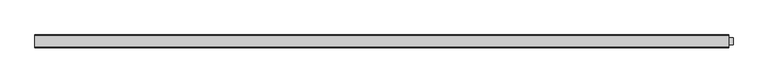
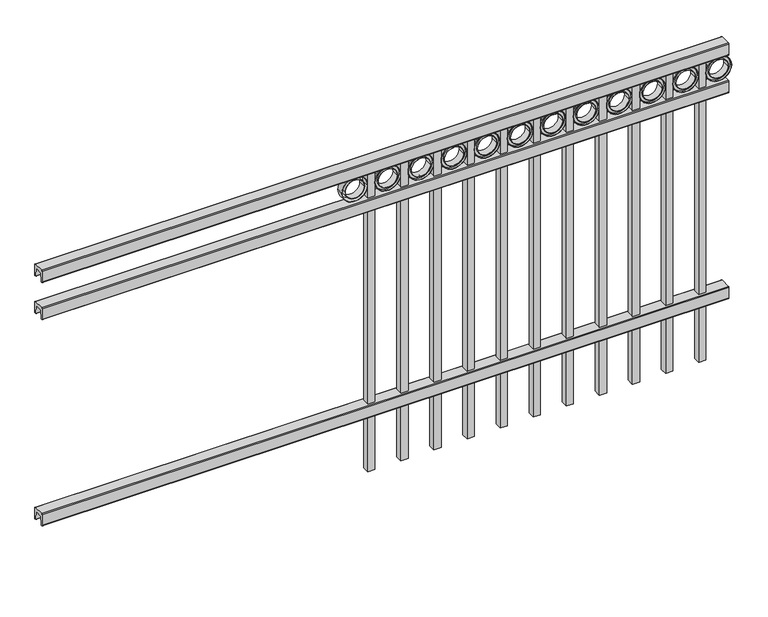
"""IFC4 building model written with IfcOpenShell, lengths in millimetres: railing geometry."""

from ifc_helpers import new_model, si_unit, point, frame, frame_2d, origin, place, context, project, spatial, polyline, circle_curve, trimmed, segment, composite_curve, outline, extrude, source, transform, mapped, element, save


def railing_0e6c4813(model_context):
    return source(origin(), model_context, "Body", "SweptSolid", [
        extrude(outline(composite_curve([segment(polyline([(13397.9139761, 304.8), (13435.969541, 304.8)]), True, "CONTINUOUS"), segment(trimmed(circle_curve(frame_2d((13435.969541, 301.625)), 3.175), [point((13435.969541, 304.8))], [point((13439.144541, 301.625))], False, "CARTESIAN"), True, "CONTINUOUS"), segment(polyline([(13439.144541, 301.625), (13439.144541, 262.1439893)]), True, "CONTINUOUS"), segment(trimmed(circle_curve(frame_2d((13437.3505518, 262.1439893)), 1.7939893), [point((13439.144541, 262.1439893))], [point((13437.3505518, 260.35))], False, "CARTESIAN"), True, "CONTINUOUS"), segment(polyline([(13437.3505518, 260.35), (13434.7590713, 260.35)]), True, "CONTINUOUS"), segment(trimmed(circle_curve(frame_2d((13434.7590713, 262.1359375)), 1.7859375), [point((13434.7590713, 260.35))], [point((13432.9755813, 262.0424688))], False, "CARTESIAN"), True, "CONTINUOUS"), segment(polyline([(13432.9755813, 262.0424688), (13431.4025867, 292.0569942), (13402.4364954, 292.0569942), (13400.8635007, 262.0424688)]), True, "CONTINUOUS"), segment(trimmed(circle_curve(frame_2d((13399.0800108, 262.1359375)), 1.7859375), [point((13400.8635007, 262.0424688))], [point((13399.0800108, 260.35))], False, "CARTESIAN"), True, "CONTINUOUS"), segment(polyline([(13399.0800108, 260.35), (13396.4804785, 260.35)]), True, "CONTINUOUS"), segment(trimmed(circle_curve(frame_2d((13396.4804785, 262.1359375)), 1.7859375), [point((13396.4804785, 260.35))], [point((13394.694541, 262.1359375))], False, "CARTESIAN"), True, "CONTINUOUS"), segment(polyline([(13394.694541, 262.1359375), (13394.694541, 301.5805649)]), True, "CONTINUOUS"), segment(trimmed(circle_curve(frame_2d((13397.9139761, 301.5805649)), 3.2194351), [point((13394.694541, 301.5805649))], [point((13397.9139761, 304.8))], False, "CARTESIAN"), True, "CONTINUOUS")], self_intersect=False)), frame((-6193.0649936, 0.0, 0.0), z_axis=(1.0, 0.0, 0.0), x_axis=(0.0, 1.0, 0.0)), (0.0, 0.0, 1.0), 2438.4),
        extrude(outline(composite_curve([segment(polyline([(13397.9139761, 1078.70625), (13435.969541, 1078.70625)]), True, "CONTINUOUS"), segment(trimmed(circle_curve(frame_2d((13435.969541, 1075.53125)), 3.175), [point((13435.969541, 1078.70625))], [point((13439.144541, 1075.53125))], False, "CARTESIAN"), True, "CONTINUOUS"), segment(polyline([(13439.144541, 1075.53125), (13439.144541, 1036.0502393)]), True, "CONTINUOUS"), segment(trimmed(circle_curve(frame_2d((13437.3505518, 1036.0502393)), 1.7939893), [point((13439.144541, 1036.0502393))], [point((13437.3505518, 1034.25625))], False, "CARTESIAN"), True, "CONTINUOUS"), segment(polyline([(13437.3505518, 1034.25625), (13434.7590713, 1034.25625)]), True, "CONTINUOUS"), segment(trimmed(circle_curve(frame_2d((13434.7590713, 1036.0421875)), 1.7859375), [point((13434.7590713, 1034.25625))], [point((13432.9755813, 1035.9487188))], False, "CARTESIAN"), True, "CONTINUOUS"), segment(polyline([(13432.9755813, 1035.9487188), (13431.4025867, 1065.9632442), (13402.4364954, 1065.9632442), (13400.8635007, 1035.9487188)]), True, "CONTINUOUS"), segment(trimmed(circle_curve(frame_2d((13399.0800108, 1036.0421875)), 1.7859375), [point((13400.8635007, 1035.9487188))], [point((13399.0800108, 1034.25625))], False, "CARTESIAN"), True, "CONTINUOUS"), segment(polyline([(13399.0800108, 1034.25625), (13396.4804785, 1034.25625)]), True, "CONTINUOUS"), segment(trimmed(circle_curve(frame_2d((13396.4804785, 1036.0421875)), 1.7859375), [point((13396.4804785, 1034.25625))], [point((13394.694541, 1036.0421875))], False, "CARTESIAN"), True, "CONTINUOUS"), segment(polyline([(13394.694541, 1036.0421875), (13394.694541, 1075.4868149)]), True, "CONTINUOUS"), segment(trimmed(circle_curve(frame_2d((13397.9139761, 1075.4868149)), 3.2194351), [point((13394.694541, 1075.4868149))], [point((13397.9139761, 1078.70625))], False, "CARTESIAN"), True, "CONTINUOUS")], self_intersect=False)), frame((-6193.0649936, 0.0, 0.0), z_axis=(1.0, 0.0, 0.0), x_axis=(0.0, 1.0, 0.0)), (0.0, 0.0, 1.0), 2438.4),
        extrude(outline(composite_curve([segment(polyline([(13397.9139761, 1219.2), (13435.969541, 1219.2)]), True, "CONTINUOUS"), segment(trimmed(circle_curve(frame_2d((13435.969541, 1216.025)), 3.175), [point((13435.969541, 1219.2))], [point((13439.144541, 1216.025))], False, "CARTESIAN"), True, "CONTINUOUS"), segment(polyline([(13439.144541, 1216.025), (13439.144541, 1176.5439893)]), True, "CONTINUOUS"), segment(trimmed(circle_curve(frame_2d((13437.3505518, 1176.5439893)), 1.7939893), [point((13439.144541, 1176.5439893))], [point((13437.3505518, 1174.75))], False, "CARTESIAN"), True, "CONTINUOUS"), segment(polyline([(13437.3505518, 1174.75), (13434.7590713, 1174.75)]), True, "CONTINUOUS"), segment(trimmed(circle_curve(frame_2d((13434.7590713, 1176.5359375)), 1.7859375), [point((13434.7590713, 1174.75))], [point((13432.9755813, 1176.4424688))], False, "CARTESIAN"), True, "CONTINUOUS"), segment(polyline([(13432.9755813, 1176.4424688), (13431.4025867, 1206.4569942), (13402.4364954, 1206.4569942), (13400.8635007, 1176.4424688)]), True, "CONTINUOUS"), segment(trimmed(circle_curve(frame_2d((13399.0800108, 1176.5359375)), 1.7859375), [point((13400.8635007, 1176.4424688))], [point((13399.0800108, 1174.75))], False, "CARTESIAN"), True, "CONTINUOUS"), segment(polyline([(13399.0800108, 1174.75), (13396.4804785, 1174.75)]), True, "CONTINUOUS"), segment(trimmed(circle_curve(frame_2d((13396.4804785, 1176.5359375)), 1.7859375), [point((13396.4804785, 1174.75))], [point((13394.694541, 1176.5359375))], False, "CARTESIAN"), True, "CONTINUOUS"), segment(polyline([(13394.694541, 1176.5359375), (13394.694541, 1215.9805649)]), True, "CONTINUOUS"), segment(trimmed(circle_curve(frame_2d((13397.9139761, 1215.9805649)), 3.2194351), [point((13394.694541, 1215.9805649))], [point((13397.9139761, 1219.2))], False, "CARTESIAN"), True, "CONTINUOUS")], self_intersect=False)), frame((-6193.0649936, 0.0, 0.0), z_axis=(1.0, 0.0, 0.0), x_axis=(0.0, 1.0, 0.0)), (0.0, 0.0, 1.0), 2438.4),
        extrude(outline(composite_curve([segment(trimmed(circle_curve(frame_2d((1129.0511409, -3785.1661274)), 45.6988591), [point((1129.0511409, -3739.4672684))], [point((1129.0511409, -3830.8649865))], False, "CARTESIAN"), True, "CONTINUOUS"), segment(trimmed(circle_curve(frame_2d((1129.0511409, -3785.1661274)), 45.6988591), [point((1129.0511409, -3830.8649865))], [point((1129.0511409, -3739.4672684))], False, "CARTESIAN"), True, "CONTINUOUS")], self_intersect=False), holes=[composite_curve([segment(trimmed(circle_curve(frame_2d((1129.0511409, -3785.1661274)), 44.101539), [point((1129.0511409, -3741.0645884))], [point((1129.0511409, -3829.2676665))], True, "CARTESIAN"), True, "CONTINUOUS"), segment(trimmed(circle_curve(frame_2d((1129.0511409, -3785.1661274)), 44.101539), [point((1129.0511409, -3829.2676665))], [point((1129.0511409, -3741.0645884))], True, "CARTESIAN"), True, "CONTINUOUS")], self_intersect=False)]), frame((0.0, 13404.219541, 0.0), z_axis=(0.0, 1.0, 0.0), x_axis=(0.0, 0.0, 1.0)), (0.0, 0.0, 1.0), 25.4),
        extrude(outline(composite_curve([segment(trimmed(circle_curve(frame_2d((1129.0511409, -3785.1661274)), 34.6370762), [point((1129.0511409, -3750.5290512))], [point((1129.0511409, -3819.8032037))], False, "CARTESIAN"), True, "CONTINUOUS"), segment(trimmed(circle_curve(frame_2d((1129.0511409, -3785.1661274)), 34.6370762), [point((1129.0511409, -3819.8032037))], [point((1129.0511409, -3750.5290512))], False, "CARTESIAN"), True, "CONTINUOUS")], self_intersect=False), holes=[composite_curve([segment(trimmed(circle_curve(frame_2d((1129.0511409, -3785.1661274)), 33.0443887), [point((1129.0511409, -3752.1217388))], [point((1129.0511409, -3818.2105161))], True, "CARTESIAN"), True, "CONTINUOUS"), segment(trimmed(circle_curve(frame_2d((1129.0511409, -3785.1661274)), 33.0443887), [point((1129.0511409, -3818.2105161))], [point((1129.0511409, -3752.1217388))], True, "CARTESIAN"), True, "CONTINUOUS")], self_intersect=False)]), frame((0.0, 13404.219541, 0.0), z_axis=(0.0, 1.0, 0.0), x_axis=(0.0, 0.0, 1.0)), (0.0, 0.0, 1.0), 25.4),
        extrude(outline(composite_curve([segment(trimmed(circle_curve(frame_2d((1129.0511409, -3785.1661274)), 45.6988591), [point((1129.0511409, -3739.4672684))], [point((1129.0511409, -3830.8649865))], False, "CARTESIAN"), True, "CONTINUOUS"), segment(trimmed(circle_curve(frame_2d((1129.0511409, -3785.1661274)), 45.6988591), [point((1129.0511409, -3830.8649865))], [point((1129.0511409, -3739.4672684))], False, "CARTESIAN"), True, "CONTINUOUS")], self_intersect=False), holes=[composite_curve([segment(trimmed(circle_curve(frame_2d((1129.0511409, -3785.1661274)), 33.0443887), [point((1129.0511409, -3752.1217388))], [point((1129.0511409, -3818.2105161))], True, "CARTESIAN"), True, "CONTINUOUS"), segment(trimmed(circle_curve(frame_2d((1129.0511409, -3785.1661274)), 33.0443887), [point((1129.0511409, -3818.2105161))], [point((1129.0511409, -3752.1217388))], True, "CARTESIAN"), True, "CONTINUOUS")], self_intersect=False)]), frame((0.0, 13410.569541, 0.0), z_axis=(0.0, 1.0, 0.0), x_axis=(0.0, 0.0, 1.0)), (0.0, 0.0, 1.0), 12.7),
        extrude(outline(polyline([(0.0, -1123.95), (0.0, 0.0), (25.4, 0.0), (25.4, -1123.95), (0.0, -1123.95)])), frame((-3830.8649864, 13429.619541, 1174.75), z_axis=(-1.0, 0.0, 3.6920139055213292e-09), x_axis=(0.0, -1.0, 0.0)), (0.0, 0.0, 1.0), 25.4),
        extrude(outline(composite_curve([segment(trimmed(circle_curve(frame_2d((1129.0511409, -3902.6411274)), 45.6988591), [point((1129.0511409, -3856.9422684))], [point((1129.0511409, -3948.3399865))], False, "CARTESIAN"), True, "CONTINUOUS"), segment(trimmed(circle_curve(frame_2d((1129.0511409, -3902.6411274)), 45.6988591), [point((1129.0511409, -3948.3399865))], [point((1129.0511409, -3856.9422684))], False, "CARTESIAN"), True, "CONTINUOUS")], self_intersect=False), holes=[composite_curve([segment(trimmed(circle_curve(frame_2d((1129.0511409, -3902.6411274)), 44.101539), [point((1129.0511409, -3858.5395884))], [point((1129.0511409, -3946.7426665))], True, "CARTESIAN"), True, "CONTINUOUS"), segment(trimmed(circle_curve(frame_2d((1129.0511409, -3902.6411274)), 44.101539), [point((1129.0511409, -3946.7426665))], [point((1129.0511409, -3858.5395884))], True, "CARTESIAN"), True, "CONTINUOUS")], self_intersect=False)]), frame((0.0, 13404.219541, 0.0), z_axis=(0.0, 1.0, 0.0), x_axis=(0.0, 0.0, 1.0)), (0.0, 0.0, 1.0), 25.4),
        extrude(outline(composite_curve([segment(trimmed(circle_curve(frame_2d((1129.0511409, -3902.6411274)), 34.6370762), [point((1129.0511409, -3868.0040512))], [point((1129.0511409, -3937.2782037))], False, "CARTESIAN"), True, "CONTINUOUS"), segment(trimmed(circle_curve(frame_2d((1129.0511409, -3902.6411274)), 34.6370762), [point((1129.0511409, -3937.2782037))], [point((1129.0511409, -3868.0040512))], False, "CARTESIAN"), True, "CONTINUOUS")], self_intersect=False), holes=[composite_curve([segment(trimmed(circle_curve(frame_2d((1129.0511409, -3902.6411274)), 33.0443887), [point((1129.0511409, -3869.5967388))], [point((1129.0511409, -3935.6855161))], True, "CARTESIAN"), True, "CONTINUOUS"), segment(trimmed(circle_curve(frame_2d((1129.0511409, -3902.6411274)), 33.0443887), [point((1129.0511409, -3935.6855161))], [point((1129.0511409, -3869.5967388))], True, "CARTESIAN"), True, "CONTINUOUS")], self_intersect=False)]), frame((0.0, 13404.219541, 0.0), z_axis=(0.0, 1.0, 0.0), x_axis=(0.0, 0.0, 1.0)), (0.0, 0.0, 1.0), 25.4),
        extrude(outline(composite_curve([segment(trimmed(circle_curve(frame_2d((1129.0511409, -3902.6411274)), 45.6988591), [point((1129.0511409, -3856.9422684))], [point((1129.0511409, -3948.3399865))], False, "CARTESIAN"), True, "CONTINUOUS"), segment(trimmed(circle_curve(frame_2d((1129.0511409, -3902.6411274)), 45.6988591), [point((1129.0511409, -3948.3399865))], [point((1129.0511409, -3856.9422684))], False, "CARTESIAN"), True, "CONTINUOUS")], self_intersect=False), holes=[composite_curve([segment(trimmed(circle_curve(frame_2d((1129.0511409, -3902.6411274)), 33.0443887), [point((1129.0511409, -3869.5967388))], [point((1129.0511409, -3935.6855161))], True, "CARTESIAN"), True, "CONTINUOUS"), segment(trimmed(circle_curve(frame_2d((1129.0511409, -3902.6411274)), 33.0443887), [point((1129.0511409, -3935.6855161))], [point((1129.0511409, -3869.5967388))], True, "CARTESIAN"), True, "CONTINUOUS")], self_intersect=False)]), frame((0.0, 13410.569541, 0.0), z_axis=(0.0, 1.0, 0.0), x_axis=(0.0, 0.0, 1.0)), (0.0, 0.0, 1.0), 12.7),
        extrude(outline(polyline([(0.0, -1123.95), (0.0, 0.0), (25.4, 0.0), (25.4, -1123.95), (0.0, -1123.95)])), frame((-3948.3399864, 13429.619541, 1174.75), z_axis=(-1.0, 0.0, 3.6920139055213292e-09), x_axis=(0.0, -1.0, 0.0)), (0.0, 0.0, 1.0), 25.4),
        extrude(outline(composite_curve([segment(trimmed(circle_curve(frame_2d((1129.0511409, -4020.1161274)), 45.6988591), [point((1129.0511409, -3974.4172684))], [point((1129.0511409, -4065.8149865))], False, "CARTESIAN"), True, "CONTINUOUS"), segment(trimmed(circle_curve(frame_2d((1129.0511409, -4020.1161274)), 45.6988591), [point((1129.0511409, -4065.8149865))], [point((1129.0511409, -3974.4172684))], False, "CARTESIAN"), True, "CONTINUOUS")], self_intersect=False), holes=[composite_curve([segment(trimmed(circle_curve(frame_2d((1129.0511409, -4020.1161274)), 44.101539), [point((1129.0511409, -3976.0145884))], [point((1129.0511409, -4064.2176665))], True, "CARTESIAN"), True, "CONTINUOUS"), segment(trimmed(circle_curve(frame_2d((1129.0511409, -4020.1161274)), 44.101539), [point((1129.0511409, -4064.2176665))], [point((1129.0511409, -3976.0145884))], True, "CARTESIAN"), True, "CONTINUOUS")], self_intersect=False)]), frame((0.0, 13404.219541, 0.0), z_axis=(0.0, 1.0, 0.0), x_axis=(0.0, 0.0, 1.0)), (0.0, 0.0, 1.0), 25.4),
        extrude(outline(composite_curve([segment(trimmed(circle_curve(frame_2d((1129.0511409, -4020.1161274)), 34.6370762), [point((1129.0511409, -3985.4790512))], [point((1129.0511409, -4054.7532037))], False, "CARTESIAN"), True, "CONTINUOUS"), segment(trimmed(circle_curve(frame_2d((1129.0511409, -4020.1161274)), 34.6370762), [point((1129.0511409, -4054.7532037))], [point((1129.0511409, -3985.4790512))], False, "CARTESIAN"), True, "CONTINUOUS")], self_intersect=False), holes=[composite_curve([segment(trimmed(circle_curve(frame_2d((1129.0511409, -4020.1161274)), 33.0443887), [point((1129.0511409, -3987.0717388))], [point((1129.0511409, -4053.1605161))], True, "CARTESIAN"), True, "CONTINUOUS"), segment(trimmed(circle_curve(frame_2d((1129.0511409, -4020.1161274)), 33.0443887), [point((1129.0511409, -4053.1605161))], [point((1129.0511409, -3987.0717388))], True, "CARTESIAN"), True, "CONTINUOUS")], self_intersect=False)]), frame((0.0, 13404.219541, 0.0), z_axis=(0.0, 1.0, 0.0), x_axis=(0.0, 0.0, 1.0)), (0.0, 0.0, 1.0), 25.4),
        extrude(outline(composite_curve([segment(trimmed(circle_curve(frame_2d((1129.0511409, -4020.1161274)), 45.6988591), [point((1129.0511409, -3974.4172684))], [point((1129.0511409, -4065.8149865))], False, "CARTESIAN"), True, "CONTINUOUS"), segment(trimmed(circle_curve(frame_2d((1129.0511409, -4020.1161274)), 45.6988591), [point((1129.0511409, -4065.8149865))], [point((1129.0511409, -3974.4172684))], False, "CARTESIAN"), True, "CONTINUOUS")], self_intersect=False), holes=[composite_curve([segment(trimmed(circle_curve(frame_2d((1129.0511409, -4020.1161274)), 33.0443887), [point((1129.0511409, -3987.0717388))], [point((1129.0511409, -4053.1605161))], True, "CARTESIAN"), True, "CONTINUOUS"), segment(trimmed(circle_curve(frame_2d((1129.0511409, -4020.1161274)), 33.0443887), [point((1129.0511409, -4053.1605161))], [point((1129.0511409, -3987.0717388))], True, "CARTESIAN"), True, "CONTINUOUS")], self_intersect=False)]), frame((0.0, 13410.569541, 0.0), z_axis=(0.0, 1.0, 0.0), x_axis=(0.0, 0.0, 1.0)), (0.0, 0.0, 1.0), 12.7),
        extrude(outline(polyline([(0.0, -1123.95), (0.0, 0.0), (25.4, 0.0), (25.4, -1123.95), (0.0, -1123.95)])), frame((-4065.8149864, 13429.619541, 1174.75), z_axis=(-1.0, 0.0, 3.6920139055213292e-09), x_axis=(0.0, -1.0, 0.0)), (0.0, 0.0, 1.0), 25.4),
        extrude(outline(composite_curve([segment(trimmed(circle_curve(frame_2d((1129.0511409, -4137.5911274)), 45.6988591), [point((1129.0511409, -4091.8922684))], [point((1129.0511409, -4183.2899865))], False, "CARTESIAN"), True, "CONTINUOUS"), segment(trimmed(circle_curve(frame_2d((1129.0511409, -4137.5911274)), 45.6988591), [point((1129.0511409, -4183.2899865))], [point((1129.0511409, -4091.8922684))], False, "CARTESIAN"), True, "CONTINUOUS")], self_intersect=False), holes=[composite_curve([segment(trimmed(circle_curve(frame_2d((1129.0511409, -4137.5911274)), 44.101539), [point((1129.0511409, -4093.4895884))], [point((1129.0511409, -4181.6926665))], True, "CARTESIAN"), True, "CONTINUOUS"), segment(trimmed(circle_curve(frame_2d((1129.0511409, -4137.5911274)), 44.101539), [point((1129.0511409, -4181.6926665))], [point((1129.0511409, -4093.4895884))], True, "CARTESIAN"), True, "CONTINUOUS")], self_intersect=False)]), frame((0.0, 13404.219541, 0.0), z_axis=(0.0, 1.0, 0.0), x_axis=(0.0, 0.0, 1.0)), (0.0, 0.0, 1.0), 25.4),
        extrude(outline(composite_curve([segment(trimmed(circle_curve(frame_2d((1129.0511409, -4137.5911274)), 34.6370762), [point((1129.0511409, -4102.9540512))], [point((1129.0511409, -4172.2282037))], False, "CARTESIAN"), True, "CONTINUOUS"), segment(trimmed(circle_curve(frame_2d((1129.0511409, -4137.5911274)), 34.6370762), [point((1129.0511409, -4172.2282037))], [point((1129.0511409, -4102.9540512))], False, "CARTESIAN"), True, "CONTINUOUS")], self_intersect=False), holes=[composite_curve([segment(trimmed(circle_curve(frame_2d((1129.0511409, -4137.5911274)), 33.0443887), [point((1129.0511409, -4104.5467388))], [point((1129.0511409, -4170.6355161))], True, "CARTESIAN"), True, "CONTINUOUS"), segment(trimmed(circle_curve(frame_2d((1129.0511409, -4137.5911274)), 33.0443887), [point((1129.0511409, -4170.6355161))], [point((1129.0511409, -4104.5467388))], True, "CARTESIAN"), True, "CONTINUOUS")], self_intersect=False)]), frame((0.0, 13404.219541, 0.0), z_axis=(0.0, 1.0, 0.0), x_axis=(0.0, 0.0, 1.0)), (0.0, 0.0, 1.0), 25.4),
        extrude(outline(composite_curve([segment(trimmed(circle_curve(frame_2d((1129.0511409, -4137.5911274)), 45.6988591), [point((1129.0511409, -4091.8922684))], [point((1129.0511409, -4183.2899865))], False, "CARTESIAN"), True, "CONTINUOUS"), segment(trimmed(circle_curve(frame_2d((1129.0511409, -4137.5911274)), 45.6988591), [point((1129.0511409, -4183.2899865))], [point((1129.0511409, -4091.8922684))], False, "CARTESIAN"), True, "CONTINUOUS")], self_intersect=False), holes=[composite_curve([segment(trimmed(circle_curve(frame_2d((1129.0511409, -4137.5911274)), 33.0443887), [point((1129.0511409, -4104.5467388))], [point((1129.0511409, -4170.6355161))], True, "CARTESIAN"), True, "CONTINUOUS"), segment(trimmed(circle_curve(frame_2d((1129.0511409, -4137.5911274)), 33.0443887), [point((1129.0511409, -4170.6355161))], [point((1129.0511409, -4104.5467388))], True, "CARTESIAN"), True, "CONTINUOUS")], self_intersect=False)]), frame((0.0, 13410.569541, 0.0), z_axis=(0.0, 1.0, 0.0), x_axis=(0.0, 0.0, 1.0)), (0.0, 0.0, 1.0), 12.7),
        extrude(outline(polyline([(0.0, -1123.95), (0.0, 0.0), (25.4, 0.0), (25.4, -1123.95), (0.0, -1123.95)])), frame((-4183.2899864, 13429.619541, 1174.75), z_axis=(-1.0, 0.0, 3.6920139055213292e-09), x_axis=(0.0, -1.0, 0.0)), (0.0, 0.0, 1.0), 25.4),
        extrude(outline(composite_curve([segment(trimmed(circle_curve(frame_2d((1129.0511409, -4255.0661274)), 45.6988591), [point((1129.0511409, -4209.3672684))], [point((1129.0511409, -4300.7649865))], False, "CARTESIAN"), True, "CONTINUOUS"), segment(trimmed(circle_curve(frame_2d((1129.0511409, -4255.0661274)), 45.6988591), [point((1129.0511409, -4300.7649865))], [point((1129.0511409, -4209.3672684))], False, "CARTESIAN"), True, "CONTINUOUS")], self_intersect=False), holes=[composite_curve([segment(trimmed(circle_curve(frame_2d((1129.0511409, -4255.0661274)), 44.101539), [point((1129.0511409, -4210.9645884))], [point((1129.0511409, -4299.1676665))], True, "CARTESIAN"), True, "CONTINUOUS"), segment(trimmed(circle_curve(frame_2d((1129.0511409, -4255.0661274)), 44.101539), [point((1129.0511409, -4299.1676665))], [point((1129.0511409, -4210.9645884))], True, "CARTESIAN"), True, "CONTINUOUS")], self_intersect=False)]), frame((0.0, 13404.219541, 0.0), z_axis=(0.0, 1.0, 0.0), x_axis=(0.0, 0.0, 1.0)), (0.0, 0.0, 1.0), 25.4),
        extrude(outline(composite_curve([segment(trimmed(circle_curve(frame_2d((1129.0511409, -4255.0661274)), 34.6370762), [point((1129.0511409, -4220.4290512))], [point((1129.0511409, -4289.7032037))], False, "CARTESIAN"), True, "CONTINUOUS"), segment(trimmed(circle_curve(frame_2d((1129.0511409, -4255.0661274)), 34.6370762), [point((1129.0511409, -4289.7032037))], [point((1129.0511409, -4220.4290512))], False, "CARTESIAN"), True, "CONTINUOUS")], self_intersect=False), holes=[composite_curve([segment(trimmed(circle_curve(frame_2d((1129.0511409, -4255.0661274)), 33.0443887), [point((1129.0511409, -4222.0217388))], [point((1129.0511409, -4288.1105161))], True, "CARTESIAN"), True, "CONTINUOUS"), segment(trimmed(circle_curve(frame_2d((1129.0511409, -4255.0661274)), 33.0443887), [point((1129.0511409, -4288.1105161))], [point((1129.0511409, -4222.0217388))], True, "CARTESIAN"), True, "CONTINUOUS")], self_intersect=False)]), frame((0.0, 13404.219541, 0.0), z_axis=(0.0, 1.0, 0.0), x_axis=(0.0, 0.0, 1.0)), (0.0, 0.0, 1.0), 25.4),
        extrude(outline(composite_curve([segment(trimmed(circle_curve(frame_2d((1129.0511409, -4255.0661274)), 45.6988591), [point((1129.0511409, -4209.3672684))], [point((1129.0511409, -4300.7649865))], False, "CARTESIAN"), True, "CONTINUOUS"), segment(trimmed(circle_curve(frame_2d((1129.0511409, -4255.0661274)), 45.6988591), [point((1129.0511409, -4300.7649865))], [point((1129.0511409, -4209.3672684))], False, "CARTESIAN"), True, "CONTINUOUS")], self_intersect=False), holes=[composite_curve([segment(trimmed(circle_curve(frame_2d((1129.0511409, -4255.0661274)), 33.0443887), [point((1129.0511409, -4222.0217388))], [point((1129.0511409, -4288.1105161))], True, "CARTESIAN"), True, "CONTINUOUS"), segment(trimmed(circle_curve(frame_2d((1129.0511409, -4255.0661274)), 33.0443887), [point((1129.0511409, -4288.1105161))], [point((1129.0511409, -4222.0217388))], True, "CARTESIAN"), True, "CONTINUOUS")], self_intersect=False)]), frame((0.0, 13410.569541, 0.0), z_axis=(0.0, 1.0, 0.0), x_axis=(0.0, 0.0, 1.0)), (0.0, 0.0, 1.0), 12.7),
        extrude(outline(polyline([(0.0, -1123.95), (0.0, 0.0), (25.4, 0.0), (25.4, -1123.95), (0.0, -1123.95)])), frame((-4300.7649864, 13429.619541, 1174.75), z_axis=(-1.0, 0.0, 3.6920139055213292e-09), x_axis=(0.0, -1.0, 0.0)), (0.0, 0.0, 1.0), 25.4),
        extrude(outline(composite_curve([segment(trimmed(circle_curve(frame_2d((1129.0511409, -4372.5411274)), 45.6988591), [point((1129.0511409, -4326.8422684))], [point((1129.0511409, -4418.2399865))], False, "CARTESIAN"), True, "CONTINUOUS"), segment(trimmed(circle_curve(frame_2d((1129.0511409, -4372.5411274)), 45.6988591), [point((1129.0511409, -4418.2399865))], [point((1129.0511409, -4326.8422684))], False, "CARTESIAN"), True, "CONTINUOUS")], self_intersect=False), holes=[composite_curve([segment(trimmed(circle_curve(frame_2d((1129.0511409, -4372.5411274)), 44.101539), [point((1129.0511409, -4328.4395884))], [point((1129.0511409, -4416.6426665))], True, "CARTESIAN"), True, "CONTINUOUS"), segment(trimmed(circle_curve(frame_2d((1129.0511409, -4372.5411274)), 44.101539), [point((1129.0511409, -4416.6426665))], [point((1129.0511409, -4328.4395884))], True, "CARTESIAN"), True, "CONTINUOUS")], self_intersect=False)]), frame((0.0, 13404.219541, 0.0), z_axis=(0.0, 1.0, 0.0), x_axis=(0.0, 0.0, 1.0)), (0.0, 0.0, 1.0), 25.4),
        extrude(outline(composite_curve([segment(trimmed(circle_curve(frame_2d((1129.0511409, -4372.5411274)), 34.6370762), [point((1129.0511409, -4337.9040512))], [point((1129.0511409, -4407.1782037))], False, "CARTESIAN"), True, "CONTINUOUS"), segment(trimmed(circle_curve(frame_2d((1129.0511409, -4372.5411274)), 34.6370762), [point((1129.0511409, -4407.1782037))], [point((1129.0511409, -4337.9040512))], False, "CARTESIAN"), True, "CONTINUOUS")], self_intersect=False), holes=[composite_curve([segment(trimmed(circle_curve(frame_2d((1129.0511409, -4372.5411274)), 33.0443887), [point((1129.0511409, -4339.4967388))], [point((1129.0511409, -4405.5855161))], True, "CARTESIAN"), True, "CONTINUOUS"), segment(trimmed(circle_curve(frame_2d((1129.0511409, -4372.5411274)), 33.0443887), [point((1129.0511409, -4405.5855161))], [point((1129.0511409, -4339.4967388))], True, "CARTESIAN"), True, "CONTINUOUS")], self_intersect=False)]), frame((0.0, 13404.219541, 0.0), z_axis=(0.0, 1.0, 0.0), x_axis=(0.0, 0.0, 1.0)), (0.0, 0.0, 1.0), 25.4),
        extrude(outline(composite_curve([segment(trimmed(circle_curve(frame_2d((1129.0511409, -4372.5411274)), 45.6988591), [point((1129.0511409, -4326.8422684))], [point((1129.0511409, -4418.2399865))], False, "CARTESIAN"), True, "CONTINUOUS"), segment(trimmed(circle_curve(frame_2d((1129.0511409, -4372.5411274)), 45.6988591), [point((1129.0511409, -4418.2399865))], [point((1129.0511409, -4326.8422684))], False, "CARTESIAN"), True, "CONTINUOUS")], self_intersect=False), holes=[composite_curve([segment(trimmed(circle_curve(frame_2d((1129.0511409, -4372.5411274)), 33.0443887), [point((1129.0511409, -4339.4967388))], [point((1129.0511409, -4405.5855161))], True, "CARTESIAN"), True, "CONTINUOUS"), segment(trimmed(circle_curve(frame_2d((1129.0511409, -4372.5411274)), 33.0443887), [point((1129.0511409, -4405.5855161))], [point((1129.0511409, -4339.4967388))], True, "CARTESIAN"), True, "CONTINUOUS")], self_intersect=False)]), frame((0.0, 13410.569541, 0.0), z_axis=(0.0, 1.0, 0.0), x_axis=(0.0, 0.0, 1.0)), (0.0, 0.0, 1.0), 12.7),
        extrude(outline(polyline([(0.0, -1123.95), (0.0, 0.0), (25.4, 0.0), (25.4, -1123.95), (0.0, -1123.95)])), frame((-4418.2399864, 13429.619541, 1174.75), z_axis=(-1.0, 0.0, 3.6920139055213292e-09), x_axis=(0.0, -1.0, 0.0)), (0.0, 0.0, 1.0), 25.4),
        extrude(outline(composite_curve([segment(trimmed(circle_curve(frame_2d((1129.0511409, -4490.0161274)), 45.6988591), [point((1129.0511409, -4444.3172684))], [point((1129.0511409, -4535.7149865))], False, "CARTESIAN"), True, "CONTINUOUS"), segment(trimmed(circle_curve(frame_2d((1129.0511409, -4490.0161274)), 45.6988591), [point((1129.0511409, -4535.7149865))], [point((1129.0511409, -4444.3172684))], False, "CARTESIAN"), True, "CONTINUOUS")], self_intersect=False), holes=[composite_curve([segment(trimmed(circle_curve(frame_2d((1129.0511409, -4490.0161274)), 44.101539), [point((1129.0511409, -4445.9145884))], [point((1129.0511409, -4534.1176665))], True, "CARTESIAN"), True, "CONTINUOUS"), segment(trimmed(circle_curve(frame_2d((1129.0511409, -4490.0161274)), 44.101539), [point((1129.0511409, -4534.1176665))], [point((1129.0511409, -4445.9145884))], True, "CARTESIAN"), True, "CONTINUOUS")], self_intersect=False)]), frame((0.0, 13404.219541, 0.0), z_axis=(0.0, 1.0, 0.0), x_axis=(0.0, 0.0, 1.0)), (0.0, 0.0, 1.0), 25.4),
        extrude(outline(composite_curve([segment(trimmed(circle_curve(frame_2d((1129.0511409, -4490.0161274)), 34.6370762), [point((1129.0511409, -4455.3790512))], [point((1129.0511409, -4524.6532037))], False, "CARTESIAN"), True, "CONTINUOUS"), segment(trimmed(circle_curve(frame_2d((1129.0511409, -4490.0161274)), 34.6370762), [point((1129.0511409, -4524.6532037))], [point((1129.0511409, -4455.3790512))], False, "CARTESIAN"), True, "CONTINUOUS")], self_intersect=False), holes=[composite_curve([segment(trimmed(circle_curve(frame_2d((1129.0511409, -4490.0161274)), 33.0443887), [point((1129.0511409, -4456.9717388))], [point((1129.0511409, -4523.0605161))], True, "CARTESIAN"), True, "CONTINUOUS"), segment(trimmed(circle_curve(frame_2d((1129.0511409, -4490.0161274)), 33.0443887), [point((1129.0511409, -4523.0605161))], [point((1129.0511409, -4456.9717388))], True, "CARTESIAN"), True, "CONTINUOUS")], self_intersect=False)]), frame((0.0, 13404.219541, 0.0), z_axis=(0.0, 1.0, 0.0), x_axis=(0.0, 0.0, 1.0)), (0.0, 0.0, 1.0), 25.4),
        extrude(outline(composite_curve([segment(trimmed(circle_curve(frame_2d((1129.0511409, -4490.0161274)), 45.6988591), [point((1129.0511409, -4444.3172684))], [point((1129.0511409, -4535.7149865))], False, "CARTESIAN"), True, "CONTINUOUS"), segment(trimmed(circle_curve(frame_2d((1129.0511409, -4490.0161274)), 45.6988591), [point((1129.0511409, -4535.7149865))], [point((1129.0511409, -4444.3172684))], False, "CARTESIAN"), True, "CONTINUOUS")], self_intersect=False), holes=[composite_curve([segment(trimmed(circle_curve(frame_2d((1129.0511409, -4490.0161274)), 33.0443887), [point((1129.0511409, -4456.9717388))], [point((1129.0511409, -4523.0605161))], True, "CARTESIAN"), True, "CONTINUOUS"), segment(trimmed(circle_curve(frame_2d((1129.0511409, -4490.0161274)), 33.0443887), [point((1129.0511409, -4523.0605161))], [point((1129.0511409, -4456.9717388))], True, "CARTESIAN"), True, "CONTINUOUS")], self_intersect=False)]), frame((0.0, 13410.569541, 0.0), z_axis=(0.0, 1.0, 0.0), x_axis=(0.0, 0.0, 1.0)), (0.0, 0.0, 1.0), 12.7),
        extrude(outline(polyline([(0.0, -1123.95), (0.0, 0.0), (25.4, 0.0), (25.4, -1123.95), (0.0, -1123.95)])), frame((-4535.7149864, 13429.619541, 1174.75), z_axis=(-1.0, 0.0, 3.6920139055213292e-09), x_axis=(0.0, -1.0, 0.0)), (0.0, 0.0, 1.0), 25.4),
        extrude(outline(composite_curve([segment(trimmed(circle_curve(frame_2d((1129.0511409, -4607.4911274)), 45.6988591), [point((1129.0511409, -4561.7922684))], [point((1129.0511409, -4653.1899865))], False, "CARTESIAN"), True, "CONTINUOUS"), segment(trimmed(circle_curve(frame_2d((1129.0511409, -4607.4911274)), 45.6988591), [point((1129.0511409, -4653.1899865))], [point((1129.0511409, -4561.7922684))], False, "CARTESIAN"), True, "CONTINUOUS")], self_intersect=False), holes=[composite_curve([segment(trimmed(circle_curve(frame_2d((1129.0511409, -4607.4911274)), 44.101539), [point((1129.0511409, -4563.3895884))], [point((1129.0511409, -4651.5926665))], True, "CARTESIAN"), True, "CONTINUOUS"), segment(trimmed(circle_curve(frame_2d((1129.0511409, -4607.4911274)), 44.101539), [point((1129.0511409, -4651.5926665))], [point((1129.0511409, -4563.3895884))], True, "CARTESIAN"), True, "CONTINUOUS")], self_intersect=False)]), frame((0.0, 13404.219541, 0.0), z_axis=(0.0, 1.0, 0.0), x_axis=(0.0, 0.0, 1.0)), (0.0, 0.0, 1.0), 25.4),
        extrude(outline(composite_curve([segment(trimmed(circle_curve(frame_2d((1129.0511409, -4607.4911274)), 34.6370762), [point((1129.0511409, -4572.8540512))], [point((1129.0511409, -4642.1282037))], False, "CARTESIAN"), True, "CONTINUOUS"), segment(trimmed(circle_curve(frame_2d((1129.0511409, -4607.4911274)), 34.6370762), [point((1129.0511409, -4642.1282037))], [point((1129.0511409, -4572.8540512))], False, "CARTESIAN"), True, "CONTINUOUS")], self_intersect=False), holes=[composite_curve([segment(trimmed(circle_curve(frame_2d((1129.0511409, -4607.4911274)), 33.0443887), [point((1129.0511409, -4574.4467388))], [point((1129.0511409, -4640.5355161))], True, "CARTESIAN"), True, "CONTINUOUS"), segment(trimmed(circle_curve(frame_2d((1129.0511409, -4607.4911274)), 33.0443887), [point((1129.0511409, -4640.5355161))], [point((1129.0511409, -4574.4467388))], True, "CARTESIAN"), True, "CONTINUOUS")], self_intersect=False)]), frame((0.0, 13404.219541, 0.0), z_axis=(0.0, 1.0, 0.0), x_axis=(0.0, 0.0, 1.0)), (0.0, 0.0, 1.0), 25.4),
        extrude(outline(composite_curve([segment(trimmed(circle_curve(frame_2d((1129.0511409, -4607.4911274)), 45.6988591), [point((1129.0511409, -4561.7922684))], [point((1129.0511409, -4653.1899865))], False, "CARTESIAN"), True, "CONTINUOUS"), segment(trimmed(circle_curve(frame_2d((1129.0511409, -4607.4911274)), 45.6988591), [point((1129.0511409, -4653.1899865))], [point((1129.0511409, -4561.7922684))], False, "CARTESIAN"), True, "CONTINUOUS")], self_intersect=False), holes=[composite_curve([segment(trimmed(circle_curve(frame_2d((1129.0511409, -4607.4911274)), 33.0443887), [point((1129.0511409, -4574.4467388))], [point((1129.0511409, -4640.5355161))], True, "CARTESIAN"), True, "CONTINUOUS"), segment(trimmed(circle_curve(frame_2d((1129.0511409, -4607.4911274)), 33.0443887), [point((1129.0511409, -4640.5355161))], [point((1129.0511409, -4574.4467388))], True, "CARTESIAN"), True, "CONTINUOUS")], self_intersect=False)]), frame((0.0, 13410.569541, 0.0), z_axis=(0.0, 1.0, 0.0), x_axis=(0.0, 0.0, 1.0)), (0.0, 0.0, 1.0), 12.7),
        extrude(outline(polyline([(0.0, -1123.95), (0.0, 0.0), (25.4, 0.0), (25.4, -1123.95), (0.0, -1123.95)])), frame((-4653.1899864, 13429.619541, 1174.75), z_axis=(-1.0, 0.0, 3.6920139055213292e-09), x_axis=(0.0, -1.0, 0.0)), (0.0, 0.0, 1.0), 25.4),
        extrude(outline(composite_curve([segment(trimmed(circle_curve(frame_2d((1129.0511409, -4724.9661274)), 45.6988591), [point((1129.0511409, -4679.2672684))], [point((1129.0511409, -4770.6649865))], False, "CARTESIAN"), True, "CONTINUOUS"), segment(trimmed(circle_curve(frame_2d((1129.0511409, -4724.9661274)), 45.6988591), [point((1129.0511409, -4770.6649865))], [point((1129.0511409, -4679.2672684))], False, "CARTESIAN"), True, "CONTINUOUS")], self_intersect=False), holes=[composite_curve([segment(trimmed(circle_curve(frame_2d((1129.0511409, -4724.9661274)), 44.101539), [point((1129.0511409, -4680.8645884))], [point((1129.0511409, -4769.0676665))], True, "CARTESIAN"), True, "CONTINUOUS"), segment(trimmed(circle_curve(frame_2d((1129.0511409, -4724.9661274)), 44.101539), [point((1129.0511409, -4769.0676665))], [point((1129.0511409, -4680.8645884))], True, "CARTESIAN"), True, "CONTINUOUS")], self_intersect=False)]), frame((0.0, 13404.219541, 0.0), z_axis=(0.0, 1.0, 0.0), x_axis=(0.0, 0.0, 1.0)), (0.0, 0.0, 1.0), 25.4),
        extrude(outline(composite_curve([segment(trimmed(circle_curve(frame_2d((1129.0511409, -4724.9661274)), 34.6370762), [point((1129.0511409, -4690.3290512))], [point((1129.0511409, -4759.6032037))], False, "CARTESIAN"), True, "CONTINUOUS"), segment(trimmed(circle_curve(frame_2d((1129.0511409, -4724.9661274)), 34.6370762), [point((1129.0511409, -4759.6032037))], [point((1129.0511409, -4690.3290512))], False, "CARTESIAN"), True, "CONTINUOUS")], self_intersect=False), holes=[composite_curve([segment(trimmed(circle_curve(frame_2d((1129.0511409, -4724.9661274)), 33.0443887), [point((1129.0511409, -4691.9217388))], [point((1129.0511409, -4758.0105161))], True, "CARTESIAN"), True, "CONTINUOUS"), segment(trimmed(circle_curve(frame_2d((1129.0511409, -4724.9661274)), 33.0443887), [point((1129.0511409, -4758.0105161))], [point((1129.0511409, -4691.9217388))], True, "CARTESIAN"), True, "CONTINUOUS")], self_intersect=False)]), frame((0.0, 13404.219541, 0.0), z_axis=(0.0, 1.0, 0.0), x_axis=(0.0, 0.0, 1.0)), (0.0, 0.0, 1.0), 25.4),
        extrude(outline(composite_curve([segment(trimmed(circle_curve(frame_2d((1129.0511409, -4724.9661274)), 45.6988591), [point((1129.0511409, -4679.2672684))], [point((1129.0511409, -4770.6649865))], False, "CARTESIAN"), True, "CONTINUOUS"), segment(trimmed(circle_curve(frame_2d((1129.0511409, -4724.9661274)), 45.6988591), [point((1129.0511409, -4770.6649865))], [point((1129.0511409, -4679.2672684))], False, "CARTESIAN"), True, "CONTINUOUS")], self_intersect=False), holes=[composite_curve([segment(trimmed(circle_curve(frame_2d((1129.0511409, -4724.9661274)), 33.0443887), [point((1129.0511409, -4691.9217388))], [point((1129.0511409, -4758.0105161))], True, "CARTESIAN"), True, "CONTINUOUS"), segment(trimmed(circle_curve(frame_2d((1129.0511409, -4724.9661274)), 33.0443887), [point((1129.0511409, -4758.0105161))], [point((1129.0511409, -4691.9217388))], True, "CARTESIAN"), True, "CONTINUOUS")], self_intersect=False)]), frame((0.0, 13410.569541, 0.0), z_axis=(0.0, 1.0, 0.0), x_axis=(0.0, 0.0, 1.0)), (0.0, 0.0, 1.0), 12.7),
        extrude(outline(polyline([(0.0, -1123.95), (0.0, 0.0), (25.4, 0.0), (25.4, -1123.95), (0.0, -1123.95)])), frame((-4770.6649864, 13429.619541, 1174.75), z_axis=(-1.0, 0.0, 3.6920139055213292e-09), x_axis=(0.0, -1.0, 0.0)), (0.0, 0.0, 1.0), 25.4),
        extrude(outline(composite_curve([segment(trimmed(circle_curve(frame_2d((1129.0511409, -4842.4411274)), 45.6988591), [point((1129.0511409, -4796.7422684))], [point((1129.0511409, -4888.1399865))], False, "CARTESIAN"), True, "CONTINUOUS"), segment(trimmed(circle_curve(frame_2d((1129.0511409, -4842.4411274)), 45.6988591), [point((1129.0511409, -4888.1399865))], [point((1129.0511409, -4796.7422684))], False, "CARTESIAN"), True, "CONTINUOUS")], self_intersect=False), holes=[composite_curve([segment(trimmed(circle_curve(frame_2d((1129.0511409, -4842.4411274)), 44.101539), [point((1129.0511409, -4798.3395884))], [point((1129.0511409, -4886.5426665))], True, "CARTESIAN"), True, "CONTINUOUS"), segment(trimmed(circle_curve(frame_2d((1129.0511409, -4842.4411274)), 44.101539), [point((1129.0511409, -4886.5426665))], [point((1129.0511409, -4798.3395884))], True, "CARTESIAN"), True, "CONTINUOUS")], self_intersect=False)]), frame((0.0, 13404.219541, 0.0), z_axis=(0.0, 1.0, 0.0), x_axis=(0.0, 0.0, 1.0)), (0.0, 0.0, 1.0), 25.4),
        extrude(outline(composite_curve([segment(trimmed(circle_curve(frame_2d((1129.0511409, -4842.4411274)), 34.6370762), [point((1129.0511409, -4807.8040512))], [point((1129.0511409, -4877.0782037))], False, "CARTESIAN"), True, "CONTINUOUS"), segment(trimmed(circle_curve(frame_2d((1129.0511409, -4842.4411274)), 34.6370762), [point((1129.0511409, -4877.0782037))], [point((1129.0511409, -4807.8040512))], False, "CARTESIAN"), True, "CONTINUOUS")], self_intersect=False), holes=[composite_curve([segment(trimmed(circle_curve(frame_2d((1129.0511409, -4842.4411274)), 33.0443887), [point((1129.0511409, -4809.3967388))], [point((1129.0511409, -4875.4855161))], True, "CARTESIAN"), True, "CONTINUOUS"), segment(trimmed(circle_curve(frame_2d((1129.0511409, -4842.4411274)), 33.0443887), [point((1129.0511409, -4875.4855161))], [point((1129.0511409, -4809.3967388))], True, "CARTESIAN"), True, "CONTINUOUS")], self_intersect=False)]), frame((0.0, 13404.219541, 0.0), z_axis=(0.0, 1.0, 0.0), x_axis=(0.0, 0.0, 1.0)), (0.0, 0.0, 1.0), 25.4),
        extrude(outline(composite_curve([segment(trimmed(circle_curve(frame_2d((1129.0511409, -4842.4411274)), 45.6988591), [point((1129.0511409, -4796.7422684))], [point((1129.0511409, -4888.1399865))], False, "CARTESIAN"), True, "CONTINUOUS"), segment(trimmed(circle_curve(frame_2d((1129.0511409, -4842.4411274)), 45.6988591), [point((1129.0511409, -4888.1399865))], [point((1129.0511409, -4796.7422684))], False, "CARTESIAN"), True, "CONTINUOUS")], self_intersect=False), holes=[composite_curve([segment(trimmed(circle_curve(frame_2d((1129.0511409, -4842.4411274)), 33.0443887), [point((1129.0511409, -4809.3967388))], [point((1129.0511409, -4875.4855161))], True, "CARTESIAN"), True, "CONTINUOUS"), segment(trimmed(circle_curve(frame_2d((1129.0511409, -4842.4411274)), 33.0443887), [point((1129.0511409, -4875.4855161))], [point((1129.0511409, -4809.3967388))], True, "CARTESIAN"), True, "CONTINUOUS")], self_intersect=False)]), frame((0.0, 13410.569541, 0.0), z_axis=(0.0, 1.0, 0.0), x_axis=(0.0, 0.0, 1.0)), (0.0, 0.0, 1.0), 12.7),
        extrude(outline(polyline([(0.0, -1123.95), (0.0, 0.0), (25.4, 0.0), (25.4, -1123.95), (0.0, -1123.95)])), frame((-4888.1399864, 13429.619541, 1174.75), z_axis=(-1.0, 0.0, 3.6920139055213292e-09), x_axis=(0.0, -1.0, 0.0)), (0.0, 0.0, 1.0), 25.4),
        extrude(outline(composite_curve([segment(trimmed(circle_curve(frame_2d((1129.0511409, -4959.9161274)), 45.6988591), [point((1129.0511409, -4914.2172684))], [point((1129.0511409, -5005.6149865))], False, "CARTESIAN"), True, "CONTINUOUS"), segment(trimmed(circle_curve(frame_2d((1129.0511409, -4959.9161274)), 45.6988591), [point((1129.0511409, -5005.6149865))], [point((1129.0511409, -4914.2172684))], False, "CARTESIAN"), True, "CONTINUOUS")], self_intersect=False), holes=[composite_curve([segment(trimmed(circle_curve(frame_2d((1129.0511409, -4959.9161274)), 44.101539), [point((1129.0511409, -4915.8145884))], [point((1129.0511409, -5004.0176665))], True, "CARTESIAN"), True, "CONTINUOUS"), segment(trimmed(circle_curve(frame_2d((1129.0511409, -4959.9161274)), 44.101539), [point((1129.0511409, -5004.0176665))], [point((1129.0511409, -4915.8145884))], True, "CARTESIAN"), True, "CONTINUOUS")], self_intersect=False)]), frame((0.0, 13404.219541, 0.0), z_axis=(0.0, 1.0, 0.0), x_axis=(0.0, 0.0, 1.0)), (0.0, 0.0, 1.0), 25.4),
        extrude(outline(composite_curve([segment(trimmed(circle_curve(frame_2d((1129.0511409, -4959.9161274)), 34.6370762), [point((1129.0511409, -4925.2790512))], [point((1129.0511409, -4994.5532037))], False, "CARTESIAN"), True, "CONTINUOUS"), segment(trimmed(circle_curve(frame_2d((1129.0511409, -4959.9161274)), 34.6370762), [point((1129.0511409, -4994.5532037))], [point((1129.0511409, -4925.2790512))], False, "CARTESIAN"), True, "CONTINUOUS")], self_intersect=False), holes=[composite_curve([segment(trimmed(circle_curve(frame_2d((1129.0511409, -4959.9161274)), 33.0443887), [point((1129.0511409, -4926.8717388))], [point((1129.0511409, -4992.9605161))], True, "CARTESIAN"), True, "CONTINUOUS"), segment(trimmed(circle_curve(frame_2d((1129.0511409, -4959.9161274)), 33.0443887), [point((1129.0511409, -4992.9605161))], [point((1129.0511409, -4926.8717388))], True, "CARTESIAN"), True, "CONTINUOUS")], self_intersect=False)]), frame((0.0, 13404.219541, 0.0), z_axis=(0.0, 1.0, 0.0), x_axis=(0.0, 0.0, 1.0)), (0.0, 0.0, 1.0), 25.4),
        extrude(outline(composite_curve([segment(trimmed(circle_curve(frame_2d((1129.0511409, -4959.9161274)), 45.6988591), [point((1129.0511409, -4914.2172684))], [point((1129.0511409, -5005.6149865))], False, "CARTESIAN"), True, "CONTINUOUS"), segment(trimmed(circle_curve(frame_2d((1129.0511409, -4959.9161274)), 45.6988591), [point((1129.0511409, -5005.6149865))], [point((1129.0511409, -4914.2172684))], False, "CARTESIAN"), True, "CONTINUOUS")], self_intersect=False), holes=[composite_curve([segment(trimmed(circle_curve(frame_2d((1129.0511409, -4959.9161274)), 33.0443887), [point((1129.0511409, -4926.8717388))], [point((1129.0511409, -4992.9605161))], True, "CARTESIAN"), True, "CONTINUOUS"), segment(trimmed(circle_curve(frame_2d((1129.0511409, -4959.9161274)), 33.0443887), [point((1129.0511409, -4992.9605161))], [point((1129.0511409, -4926.8717388))], True, "CARTESIAN"), True, "CONTINUOUS")], self_intersect=False)]), frame((0.0, 13410.569541, 0.0), z_axis=(0.0, 1.0, 0.0), x_axis=(0.0, 0.0, 1.0)), (0.0, 0.0, 1.0), 12.7),
        extrude(outline(polyline([(0.0, -1123.95), (0.0, 0.0), (25.4, 0.0), (25.4, -1123.95), (0.0, -1123.95)])), frame((-5005.6149864, 13429.619541, 1174.75), z_axis=(-1.0, 0.0, 3.6920139055213292e-09), x_axis=(0.0, -1.0, 0.0)), (0.0, 0.0, 1.0), 25.4),
        extrude(outline(composite_curve([segment(trimmed(circle_curve(frame_2d((1129.0511409, -5077.3911274)), 45.6988591), [point((1129.0511409, -5031.6922684))], [point((1129.0511409, -5123.0899865))], False, "CARTESIAN"), True, "CONTINUOUS"), segment(trimmed(circle_curve(frame_2d((1129.0511409, -5077.3911274)), 45.6988591), [point((1129.0511409, -5123.0899865))], [point((1129.0511409, -5031.6922684))], False, "CARTESIAN"), True, "CONTINUOUS")], self_intersect=False), holes=[composite_curve([segment(trimmed(circle_curve(frame_2d((1129.0511409, -5077.3911274)), 44.101539), [point((1129.0511409, -5033.2895884))], [point((1129.0511409, -5121.4926665))], True, "CARTESIAN"), True, "CONTINUOUS"), segment(trimmed(circle_curve(frame_2d((1129.0511409, -5077.3911274)), 44.101539), [point((1129.0511409, -5121.4926665))], [point((1129.0511409, -5033.2895884))], True, "CARTESIAN"), True, "CONTINUOUS")], self_intersect=False)]), frame((0.0, 13404.219541, 0.0), z_axis=(0.0, 1.0, 0.0), x_axis=(0.0, 0.0, 1.0)), (0.0, 0.0, 1.0), 25.4),
        extrude(outline(composite_curve([segment(trimmed(circle_curve(frame_2d((1129.0511409, -5077.3911274)), 34.6370762), [point((1129.0511409, -5042.7540512))], [point((1129.0511409, -5112.0282037))], False, "CARTESIAN"), True, "CONTINUOUS"), segment(trimmed(circle_curve(frame_2d((1129.0511409, -5077.3911274)), 34.6370762), [point((1129.0511409, -5112.0282037))], [point((1129.0511409, -5042.7540512))], False, "CARTESIAN"), True, "CONTINUOUS")], self_intersect=False), holes=[composite_curve([segment(trimmed(circle_curve(frame_2d((1129.0511409, -5077.3911274)), 33.0443887), [point((1129.0511409, -5044.3467388))], [point((1129.0511409, -5110.4355161))], True, "CARTESIAN"), True, "CONTINUOUS"), segment(trimmed(circle_curve(frame_2d((1129.0511409, -5077.3911274)), 33.0443887), [point((1129.0511409, -5110.4355161))], [point((1129.0511409, -5044.3467388))], True, "CARTESIAN"), True, "CONTINUOUS")], self_intersect=False)]), frame((0.0, 13404.219541, 0.0), z_axis=(0.0, 1.0, 0.0), x_axis=(0.0, 0.0, 1.0)), (0.0, 0.0, 1.0), 25.4),
    ])


if __name__ == "__main__":
    model = new_model("IFC4")
    model_context = context("Model", 3, world=origin())
    ifc_project = project(units=[si_unit("LENGTHUNIT", "METRE", prefix="MILLI")], contexts=[model_context])
    site = spatial("IfcSite", under=ifc_project)
    building = spatial("IfcBuilding", under=site)
    placement = place(None, origin())
    railing_shape = railing_0e6c4813(model_context)
    element("IfcRailing", 1, at=placement, inside=building, context=model_context, shape_type="MappedRepresentation", body=[
        mapped(railing_shape, transform((0.0, 0.0, 0.0), x_axis=(1.0, 0.0, 0.0), y_axis=(0.0, 1.0, 0.0), z_axis=(0.0, 0.0, 1.0))),
    ])
    save(model, "model.ifc")
